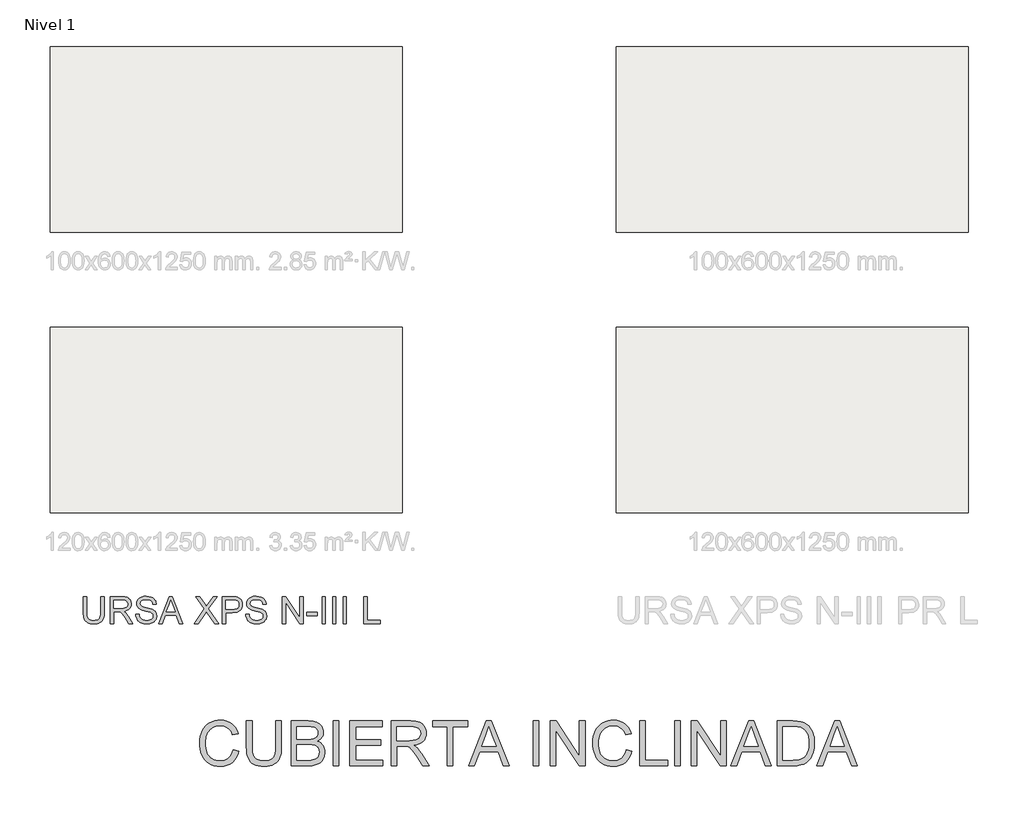
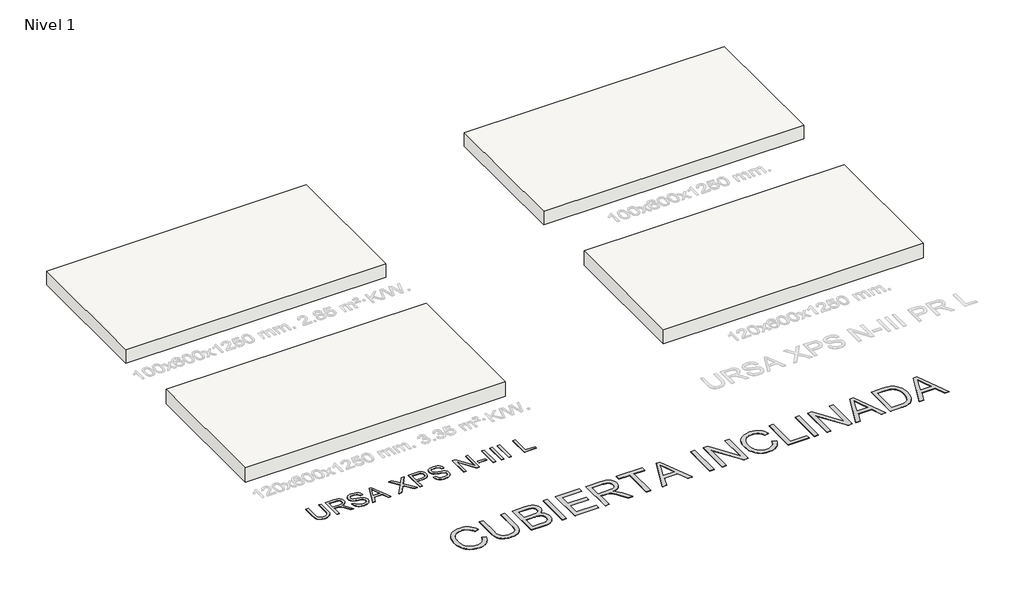
# One storey, part 1 of 5: 4 roofs, 2 proxies.
"""IFC4 building model written with IfcOpenShell, lengths in millimetres."""

import ifcopenshell
import ifcopenshell.guid

model = None  # the IFC model being written
_history = None  # IfcOwnerHistory: only IFC2X3 demands one
_inside = {}  # id of a spatial element -> (the spatial element, [elements in it])
_under = {}  # id of a project, library or spatial element -> (it, [spatial elements below it])
_declared = {}  # id of a project -> (the project, [libraries it declares])
_typed = {}  # id of a type object -> (the type object, [elements of that type])
_made_of = {}  # id of a material, layer set ... -> (it, [elements and type objects made of it])


def new_model(schema):
    """Start an empty IFC model of exactly this schema.

    Asked for "IFC4X3", IfcOpenShell would pick the latest addendum, in which some entities
    have other attributes; the version numbers below select the first issue.
    IFC2X3 requires an IfcOwnerHistory on every rooted entity: one is made here for all.
    """
    global model, _history
    if schema == "IFC4X3":
        model = ifcopenshell.file(schema_version=(4, 3, 0, 0))
    else:
        model = ifcopenshell.file(schema=schema)
    _inside.clear()
    _under.clear()
    _declared.clear()
    _typed.clear()
    _made_of.clear()
    _history = None
    if model.schema == "IFC2X3":
        org = make("IfcOrganization", Name="unknown")
        user = make(
            "IfcPersonAndOrganization",
            ThePerson=make("IfcPerson", FamilyName="unknown"),
            TheOrganization=org,
        )
        app = make(
            "IfcApplication",
            ApplicationDeveloper=org,
            Version="unknown",
            ApplicationFullName="unknown",
            ApplicationIdentifier="unknown",
        )
        _history = make(
            "IfcOwnerHistory",
            OwningUser=user,
            OwningApplication=app,
            ChangeAction="ADDED",
            CreationDate=0,
        )
    return model


def make(cls, **values):
    """One entity of the class cls with the attributes given. An attribute that is None is left unset."""
    return model.create_entity(
        cls, **{name: value for name, value in values.items() if value is not None}
    )


def rooted(cls, **values):
    """An entity with a GlobalId (a new one), such as an element, a storey or a relation."""
    return make(cls, GlobalId=ifcopenshell.guid.new(), OwnerHistory=_history, **values)


def si_unit(unit_type, name, prefix=None):
    """IfcSIUnit, for example si_unit("LENGTHUNIT", "METRE", prefix="MILLI")."""
    return make("IfcSIUnit", UnitType=unit_type, Prefix=prefix, Name=name)


def assignment(units):
    """IfcUnitAssignment: the units of a project."""
    return None if units is None else make("IfcUnitAssignment", Units=units)


def point(xyz):
    """IfcCartesianPoint."""
    return None if xyz is None else make("IfcCartesianPoint", Coordinates=xyz)


def direction(xyz):
    """IfcDirection."""
    return None if xyz is None else make("IfcDirection", DirectionRatios=xyz)


def frame(location, z_axis=None, x_axis=None):
    """IfcAxis2Placement3D, a coordinate frame: its origin and axes. An axis left out is left unset."""
    return make(
        "IfcAxis2Placement3D",
        Location=point(location),
        Axis=direction(z_axis),
        RefDirection=direction(x_axis),
    )


def origin():
    """The frame at (0, 0, 0) with its axes left unset."""
    return frame((0.0, 0.0, 0.0))


def origin_with_axes():
    """The frame at (0, 0, 0) with the z axis (0, 0, 1) and the x axis (1, 0, 0) written out."""
    return frame((0.0, 0.0, 0.0), z_axis=(0.0, 0.0, 1.0), x_axis=(1.0, 0.0, 0.0))


def place(relative_to, where):
    """IfcLocalPlacement: puts the frame where relative to a parent placement (None: the world)."""
    return make(
        "IfcLocalPlacement", PlacementRelTo=relative_to, RelativePlacement=where
    )


def context(
    kind, dimensions, precision=None, world=None, true_north=None, identifier=None
):
    """IfcGeometricRepresentationContext, for example the 3D "Model" context."""
    return make(
        "IfcGeometricRepresentationContext",
        ContextIdentifier=identifier,
        ContextType=kind,
        CoordinateSpaceDimension=dimensions,
        Precision=precision,
        WorldCoordinateSystem=world,
        TrueNorth=true_north,
    )


def project(units=None, contexts=None):
    """IfcProject with its units and contexts."""
    return rooted(
        "IfcProject",
        Name="project",
        RepresentationContexts=contexts,
        UnitsInContext=assignment(units),
    )


def spatial(cls, under=None, at=None, **own):
    """A site, building, storey or space (cls), placed at a placement, below another one or the project."""
    s = rooted(cls, ObjectPlacement=at, **own)
    if under is not None:
        _under.setdefault(under.id(), (under, []))[1].append(s)
    return s


def polyline(points):
    """IfcPolyline through the points."""
    return make("IfcPolyline", Points=[point(p) for p in points])


def outline(outer, holes=None, kind="AREA"):
    """IfcArbitraryClosedProfileDef: a profile drawn as a closed curve; with holes, ...WithVoids."""
    if holes is None:
        return make("IfcArbitraryClosedProfileDef", ProfileType=kind, OuterCurve=outer)
    return make(
        "IfcArbitraryProfileDefWithVoids",
        ProfileType=kind,
        OuterCurve=outer,
        InnerCurves=holes,
    )


def extrude(swept, where, along, depth):
    """IfcExtrudedAreaSolid: the profile swept, set in the frame where, extruded along a direction by depth."""
    return make(
        "IfcExtrudedAreaSolid",
        SweptArea=swept,
        Position=where,
        ExtrudedDirection=direction(along),
        Depth=depth,
    )


def shape(context_of_items, identifier, shape_type, items):
    """IfcShapeRepresentation: the items that make up one representation, for example the "Body"."""
    return make(
        "IfcShapeRepresentation",
        ContextOfItems=context_of_items,
        RepresentationIdentifier=identifier,
        RepresentationType=shape_type,
        Items=items,
    )


def made_of(thing, what):
    """Note that an element or type object is made of a material, layer set ...; save() writes the relation."""
    if what is not None:
        _made_of.setdefault(what.id(), (what, []))[1].append(thing)
    return thing


def element(
    cls,
    number,
    at=None,
    inside=None,
    cuts=None,
    type_object=None,
    material=None,
    context=None,
    identifier="Body",
    shape_type=None,
    held_by="IfcProductDefinitionShape",
    body=None,
    shapes=None,
    **own,
):
    """One element of the class cls, such as IfcWall. Its Tag is "e" and its number.

    at: its placement. inside: the storey or other place that contains it. cuts: it is an
    opening in that element (IfcRelVoidsElement). A single representation is given by context,
    identifier, shape_type and body (its items); several are given by shapes. held_by: the class
    of the entity that holds the representations. save() writes the other relations.
    """
    e = rooted(cls, Tag="e%d" % number, ObjectPlacement=at, **own)
    if body is not None:
        shapes = [shape(context, identifier, shape_type, body)]
    if shapes is not None:
        e.Representation = make(held_by, Representations=shapes)
    if inside is not None:
        _inside.setdefault(inside.id(), (inside, []))[1].append(e)
    if cuts is not None:
        rooted(
            "IfcRelVoidsElement", RelatingBuildingElement=cuts, RelatedOpeningElement=e
        )
    if type_object is not None:
        _typed.setdefault(type_object.id(), (type_object, []))[1].append(e)
    return made_of(e, material)


def aggregate(whole, parts):
    """IfcRelAggregates: a whole, such as a stair, and the parts it consists of."""
    return rooted("IfcRelAggregates", RelatingObject=whole, RelatedObjects=parts)


def save(model, path):
    """Write the relations noted so far, then the file.

    IfcRelAggregates (storeys below a building ...), IfcRelContainedInSpatialStructure (elements
    in a storey), IfcRelDefinesByType, IfcRelAssociatesMaterial and IfcRelDeclares: one each for
    every whole, place, type object, material and project.
    """
    for whole, parts in _under.values():
        aggregate(whole, parts)
    for where, things in _inside.values():
        rooted(
            "IfcRelContainedInSpatialStructure",
            RelatedElements=things,
            RelatingStructure=where,
        )
    for kind, things in _typed.values():
        rooted("IfcRelDefinesByType", RelatedObjects=things, RelatingType=kind)
    for what, things in _made_of.values():
        rooted("IfcRelAssociatesMaterial", RelatedObjects=things, RelatingMaterial=what)
    for by, libraries in _declared.values():
        rooted("IfcRelDeclares", RelatingContext=by, RelatedDefinitions=libraries)
    model.write(path)


model = new_model("IFC4")

# Units and contexts
model_context = context("Model", 3, world=origin())
ifc_project = project(units=[si_unit("LENGTHUNIT", "METRE", prefix="MILLI")], contexts=[model_context])

# Site, building, storey
site = spatial("IfcSite", under=ifc_project)
building = spatial("IfcBuilding", under=site)
storey = spatial("IfcBuildingStorey", under=building, Name="Nivel 1", Elevation=0.0)

# Proxies
placement = place(None, origin())
element("IfcBuildingElementProxy", 1, Name="Texto de modelo 2", ObjectType="Texto de modelo 2", at=placement, inside=storey, context=model_context, shape_type="SweptSolid", body=[
    extrude(outline(polyline([(-21908.2815562, -17259.2340137), (-21782.7111685, -17291.6076293), (-21807.5585316, -17369.698247), (-21840.6525828, -17437.9326929), (-21881.993322, -17496.310967), (-21905.7561996, -17521.8040396), (-21931.5807492, -17544.8330693), (-21988.2958902, -17582.9778337), (-22051.0197703, -17610.2240939), (-22119.7523898, -17626.5718501), (-22194.4937485, -17632.0211022), (-22271.0668529, -17627.8977581), (-22340.1443617, -17615.527726), (-22401.7262749, -17594.9110059), (-22455.8125924, -17566.0475977), (-22503.1467424, -17529.3666971), (-22544.4721532, -17485.2974997), (-22579.7888247, -17433.8400057), (-22609.096757, -17374.9942149), (-22632.1123743, -17311.3046444), (-22648.552101, -17245.3158116), (-22658.415937, -17177.0277162), (-22661.7038823, -17106.4403584), (-22657.9867413, -17030.7026526), (-22646.8353184, -16959.9620106), (-22628.2496134, -16894.2184324), (-22602.2296264, -16833.471918), (-22569.3578373, -16778.7264786), (-22530.2167259, -16730.9861255), (-22484.8062921, -16690.2508587), (-22433.126536, -16656.5206783), (-22376.9325612, -16630.0714957), (-22317.9794715, -16611.1792224), (-22256.2672668, -16599.8438584), (-22191.7959472, -16596.0654037), (-22119.9746518, -16600.9551686), (-22054.1161105, -16615.6244631), (-21994.2203231, -16640.0732874), (-21940.2872898, -16674.3016414), (-21893.2060586, -16717.4051485), (-21853.8656778, -16768.4794321), (-21822.2661472, -16827.5244924), (-21798.407467, -16894.5403292), (-21923.9778547, -16924.4613981), (-21943.7515119, -16875.0809045), (-21967.5105574, -16832.8894381), (-21995.2549912, -16797.8869991), (-22026.9848133, -16770.0735875), (-22062.8839647, -16748.8820517), (-22103.1363863, -16733.7452404), (-22147.7420782, -16724.6631537), (-22196.7010404, -16721.6357914), (-22253.0329709, -16724.9927146), (-22304.5517787, -16735.0634842), (-22351.2574636, -16751.8481003), (-22393.1500258, -16775.3465627), (-22429.7006349, -16804.5012108), (-22460.3804605, -16838.2543839), (-22485.1895025, -16876.6060819), (-22504.1277611, -16919.5563048), (-22518.1302695, -16965.1583438), (-22528.1320612, -17011.46549), (-22534.1331363, -17058.4777433), (-22536.1334946, -17106.1951037), (-22533.7652543, -17166.1598689), (-22526.6605333, -17222.2005595), (-22514.8193315, -17274.3171755), (-22498.2416491, -17322.5097169), (-22476.6592388, -17365.8201576), (-22449.8038531, -17403.2904717), (-22417.6754922, -17434.920659), (-22380.274156, -17460.7107197), (-22339.4162619, -17480.7219674), (-22296.9182273, -17495.0157158), (-22252.7800521, -17503.5919648), (-22207.0017363, -17506.4507145), (-22152.409581, -17502.5572967), (-22102.1860245, -17490.8770433), (-22056.3310666, -17471.4099544), (-22014.8447075, -17444.15603), (-21978.7079657, -17409.2378972), (-21948.9018598, -17366.7781836), (-21925.42639, -17316.7768891), (-21908.2815562, -17259.2340137)])), origin_with_axes(), (0.0, 0.0, 1.0), 10.0),
    extrude(outline(polyline([(-20950.8073501, -16611.7617022), (-20825.2369624, -16611.7617022), (-20825.2369624, -17191.2984719), (-20827.3676123, -17263.0584536), (-20833.759562, -17327.0162713), (-20844.4128114, -17383.171925), (-20859.3273606, -17431.5254148), (-20879.7907966, -17473.9084863), (-20907.0907063, -17512.1528854), (-20941.2270898, -17546.258612), (-20982.199947, -17576.2256662), (-21030.0552632, -17600.6361694), (-21084.8390237, -17618.0722432), (-21146.5512284, -17628.5338874), (-21215.1918773, -17632.0211022), (-21282.1387362, -17628.9860757), (-21342.6936455, -17619.8809963), (-21396.856605, -17604.705864), (-21444.6276149, -17583.4606788), (-21486.0143394, -17556.4596732), (-21521.0244426, -17524.0170797), (-21549.6579246, -17486.1328984), (-21571.9147853, -17442.8071293), (-21588.5997666, -17392.5529159), (-21600.5176104, -17333.8834019), (-21607.6683167, -17266.7985872), (-21610.0518854, -17191.2984719), (-21610.0518854, -16611.7617022), (-21484.4814978, -16611.7617022), (-21484.4814978, -17186.883888), (-21482.9333277, -17247.5920814), (-21478.2888175, -17299.73169), (-21470.5479672, -17343.3027138), (-21459.7107768, -17378.3051528), (-21445.1027959, -17407.2681957), (-21426.0495742, -17432.7210313), (-21402.5511118, -17454.6636594), (-21374.6074085, -17473.0960802), (-21342.7549591, -17487.6887327), (-21307.5302581, -17498.1120559), (-21268.9333054, -17504.3660498), (-21226.9641011, -17506.4507145), (-21157.7563008, -17502.3273704), (-21099.2477351, -17489.9573384), (-21051.4384042, -17469.3406182), (-21031.5459517, -17455.9397501), (-21014.3283079, -17440.47721), (-20999.4405834, -17422.0831102), (-20986.5378889, -17399.8875632), (-20966.6875895, -17344.0921273), (-20954.77741, -17273.0909022), (-20950.8073501, -17186.883888), (-20950.8073501, -16611.7617022)])), origin_with_axes(), (0.0, 0.0, 1.0), 10.0),
    extrude(outline(polyline([(-20605.488784, -17616.3248037), (-20605.488784, -16611.7617022), (-20222.155745, -16611.7617022), (-20166.5519142, -16613.6087764), (-20116.7268965, -16619.1499989), (-20072.6806918, -16628.3853699), (-20034.4133001, -16641.3148891), (-20000.951367, -16658.0765125), (-19971.3215379, -16678.8081958), (-19945.523813, -16703.509939), (-19923.5581922, -16732.181742), (-19906.0148196, -16763.2064569), (-19893.4838391, -16794.9669358), (-19885.9652508, -16827.4631787), (-19883.4590548, -16860.6951856), (-19885.566712, -16891.3903396), (-19891.8896838, -16921.181117), (-19902.4279701, -16950.0675178), (-19917.181571, -16978.0495421), (-19936.1964716, -17004.25347), (-19959.5186573, -17027.8055819), (-19987.1481279, -17048.7058778), (-20019.0848836, -17066.9543576), (-19981.1853739, -17083.1105085), (-19947.9303744, -17104.1104391), (-19919.3198851, -17129.9541492), (-19895.3539059, -17160.641639), (-19876.4156474, -17195.237875), (-19862.8883199, -17232.8078237), (-19854.7719233, -17273.3514853), (-19852.0664578, -17316.8688596), (-19853.913532, -17352.5304205), (-19859.4547546, -17386.9197229), (-19868.6901255, -17420.0367666), (-19881.6196448, -17451.8815519), (-19897.2776222, -17481.296783), (-19914.6983675, -17507.1251648), (-19933.8818807, -17529.3666971), (-19954.8281618, -17548.0213799), (-19978.0277201, -17563.8556341), (-20003.971065, -17577.6358805), (-20064.0891144, -17599.0343499), (-20137.1443473, -17612.0021903), (-20225.0988009, -17616.3248037), (-20605.488784, -17616.3248037)]), holes=[polyline([(-20479.9183963, -17019.8654622), (-20250.6052859, -17019.8654622), (-20170.407011, -17017.1676609), (-20116.6962397, -17009.074257), (-20091.6112861, -17000.9272036), (-20069.8219421, -16990.4655594), (-20051.3282077, -16977.6893243), (-20036.1300827, -16962.5984983), (-20024.2735526, -16945.3003803), (-20015.8046025, -16925.9022692), (-20010.7232325, -16904.4041652), (-20009.0294424, -16880.806068), (-20010.6082693, -16858.2119821), (-20015.34475, -16837.0281106), (-20023.2388845, -16817.2544533), (-20034.2906728, -16798.8910104), (-20048.285517, -16782.6198963), (-20065.0088194, -16769.1232256), (-20084.4605799, -16758.4009983), (-20106.6407985, -16750.4532144), (-20170.5296383, -16740.612371), (-20268.018367, -16737.3320899), (-20479.9183963, -16737.3320899), (-20479.9183963, -17019.8654622)]), polyline([(-20479.9183963, -17490.754416), (-20222.4009996, -17490.754416), (-20165.992427, -17489.5281427), (-20129.2042275, -17485.8493227), (-20085.9474363, -17474.966147), (-20050.3548532, -17458.5034278), (-20021.4148029, -17434.9283232), (-19998.1156099, -17402.7079918), (-19982.7565366, -17363.2833047), (-19977.6368455, -17318.0951329), (-19979.1390303, -17290.933179), (-19983.6455848, -17265.610635), (-19991.1565088, -17242.1275009), (-20001.6718025, -17220.4837769), (-20015.5516836, -17201.3002637), (-20033.15637, -17185.1977622), (-20054.4858615, -17172.1762724), (-20079.5401582, -17162.2357943), (-20109.4229061, -17154.8858186), (-20145.2377512, -17149.635836), (-20234.6637328, -17145.4358499), (-20479.9183963, -17145.4358499), (-20479.9183963, -17490.754416)])]), origin_with_axes(), (0.0, 0.0, 1.0), 10.0),
    extrude(outline(polyline([(-19663.7108763, -17616.3248037), (-19663.7108763, -16611.7617022), (-19538.1404886, -16611.7617022), (-19538.1404886, -17616.3248037), (-19663.7108763, -17616.3248037)])), origin_with_axes(), (0.0, 0.0, 1.0), 10.0),
    extrude(outline(polyline([(-19286.9997132, -17616.3248037), (-19286.9997132, -16611.7617022), (-18564.969984, -16611.7617022), (-18564.969984, -16737.3320899), (-19161.4293256, -16737.3320899), (-19161.4293256, -17035.5617606), (-18596.362581, -17035.5617606), (-18596.362581, -17161.1321483), (-19161.4293256, -17161.1321483), (-19161.4293256, -17490.754416), (-18549.2736856, -17490.754416), (-18549.2736856, -17616.3248037), (-19286.9997132, -17616.3248037)])), origin_with_axes(), (0.0, 0.0, 1.0), 10.0),
    extrude(outline(polyline([(-18360.918104, -17616.3248037), (-18360.918104, -16611.7617022), (-17928.0436231, -16611.7617022), (-17865.9098869, -16613.4554922), (-17811.7009421, -16618.5368623), (-17765.4167886, -16627.0058124), (-17727.0574264, -16638.8623425), (-17694.3925709, -16655.0184935), (-17665.1919375, -16676.386306), (-17639.4555263, -16702.9657802), (-17617.1833371, -16734.7569159), (-17599.2107688, -16770.0505948), (-17586.37322, -16807.1376985), (-17578.6706908, -16846.0182268), (-17576.103181, -16886.6921799), (-17580.3568166, -16938.2876298), (-17593.1177233, -16985.6524366), (-17614.3859011, -17028.7866006), (-17644.1613501, -17067.6901216), (-17682.8272806, -17101.1213979), (-17730.7669031, -17127.8388278), (-17787.9802176, -17147.8424113), (-17854.467224, -17161.1321483), (-17813.0804996, -17188.171475), (-17783.098117, -17214.8429196), (-17731.6559513, -17275.8500172), (-17681.3174316, -17344.0921273), (-17513.8084965, -17616.3248037), (-17659.7350212, -17616.3248037), (-17790.4557569, -17408.1035944), (-17842.7563138, -17328.6410835), (-17884.8788023, -17270.2704736), (-17919.980876, -17230.0793656), (-17951.2201888, -17205.1553604), (-17980.8040325, -17190.5320511), (-18010.9396993, -17181.2430307), (-18083.7803343, -17176.8284468), (-18235.3477164, -17176.8284468), (-18235.3477164, -17616.3248037), (-18360.918104, -17616.3248037)]), holes=[polyline([(-18235.3477164, -17051.2580591), (-17954.285872, -17051.2580591), (-17873.5664309, -17046.8128183), (-17810.9345213, -17033.477096), (-17785.749933, -17023.2530422), (-17763.7843122, -17010.361844), (-17745.0376589, -16994.8035013), (-17729.509973, -16976.5780141), (-17717.3315461, -16956.5820948), (-17708.6326698, -16935.7124558), (-17703.413344, -16913.969097), (-17701.6735687, -16891.3520185), (-17704.9921709, -16859.238986), (-17714.9479773, -16830.0996663), (-17731.5409882, -16803.9340594), (-17754.7712033, -16780.7421653), (-17785.1751174, -16761.7502573), (-17823.2892249, -16748.1846087), (-17869.113526, -16740.0452196), (-17922.6480205, -16737.3320899), (-18235.3477164, -16737.3320899), (-18235.3477164, -17051.2580591)])]), origin_with_axes(), (0.0, 0.0, 1.0), 10.0),
    extrude(outline(polyline([(-17105.2142272, -17616.3248037), (-17105.2142272, -16737.3320899), (-17434.8364949, -16737.3320899), (-17434.8364949, -16611.7617022), (-16650.0215718, -16611.7617022), (-16650.0215718, -16737.3320899), (-16979.6438395, -16737.3320899), (-16979.6438395, -17616.3248037), (-17105.2142272, -17616.3248037)])), origin_with_axes(), (0.0, 0.0, 1.0), 10.0),
    extrude(outline(polyline([(-16625.7413601, -17616.3248037), (-16224.7499854, -16611.7617022), (-16117.8189521, -16611.7617022), (-15716.8275774, -17616.3248037), (-15849.5103503, -17616.3248037), (-15964.5347875, -17302.3988345), (-16378.2794047, -17302.3988345), (-16493.0585872, -17616.3248037), (-16625.7413601, -17616.3248037)]), holes=[polyline([(-16332.171528, -17176.8284468), (-16010.3974095, -17176.8284468), (-16100.8963803, -16929.8570007), (-16171.2844688, -16737.3320899), (-16233.8244079, -16908.2745903), (-16332.171528, -17176.8284468)])]), origin_with_axes(), (0.0, 0.0, 1.0), 10.0),
    extrude(outline(polyline([(-15174.5695165, -17616.3248037), (-15174.5695165, -16611.7617022), (-15048.9991288, -16611.7617022), (-15048.9991288, -17616.3248037), (-15174.5695165, -17616.3248037)])), origin_with_axes(), (0.0, 0.0, 1.0), 10.0),
    extrude(outline(polyline([(-14797.8583534, -17616.3248037), (-14797.8583534, -16611.7617022), (-14663.4587979, -16611.7617022), (-14138.6138181, -17407.6130851), (-14138.6138181, -16611.7617022), (-14013.0434304, -16611.7617022), (-14013.0434304, -17616.3248037), (-14147.442986, -17616.3248037), (-14672.2879657, -16820.2281661), (-14672.2879657, -17616.3248037), (-14797.8583534, -17616.3248037)])), origin_with_axes(), (0.0, 0.0, 1.0), 10.0),
    extrude(outline(polyline([(-13086.9618212, -17259.2340137), (-12961.3914335, -17291.6076293), (-12986.2387966, -17369.698247), (-13019.3328477, -17437.9326929), (-13060.673587, -17496.310967), (-13084.4364646, -17521.8040396), (-13110.2610142, -17544.8330693), (-13166.9761551, -17582.9778337), (-13229.7000353, -17610.2240939), (-13298.4326548, -17626.5718501), (-13373.1740134, -17632.0211022), (-13449.7471179, -17627.8977581), (-13518.8246267, -17615.527726), (-13580.4065398, -17594.9110059), (-13634.4928573, -17566.0475977), (-13681.8270074, -17529.3666971), (-13723.1524182, -17485.2974997), (-13758.4690897, -17433.8400057), (-13787.777022, -17374.9942149), (-13810.7926393, -17311.3046444), (-13827.232366, -17245.3158116), (-13837.096202, -17177.0277162), (-13840.3841473, -17106.4403584), (-13836.6670063, -17030.7026526), (-13825.5155833, -16959.9620106), (-13806.9298784, -16894.2184324), (-13780.9098914, -16833.471918), (-13748.0381023, -16778.7264786), (-13708.8969909, -16730.9861255), (-13663.4865571, -16690.2508587), (-13611.806801, -16656.5206783), (-13555.6128262, -16630.0714957), (-13496.6597365, -16611.1792224), (-13434.9475318, -16599.8438584), (-13370.4762121, -16596.0654037), (-13298.6549168, -16600.9551686), (-13232.7963754, -16615.6244631), (-13172.9005881, -16640.0732874), (-13118.9675548, -16674.3016414), (-13071.8863236, -16717.4051485), (-13032.5459427, -16768.4794321), (-13000.9464122, -16827.5244924), (-12977.087732, -16894.5403292), (-13102.6581197, -16924.4613981), (-13122.4317769, -16875.0809045), (-13146.1908224, -16832.8894381), (-13173.9352562, -16797.8869991), (-13205.6650783, -16770.0735875), (-13241.5642297, -16748.8820517), (-13281.8166513, -16733.7452404), (-13326.4223432, -16724.6631537), (-13375.3813054, -16721.6357914), (-13431.7132359, -16724.9927146), (-13483.2320437, -16735.0634842), (-13529.9377286, -16751.8481003), (-13571.8302908, -16775.3465627), (-13608.3808999, -16804.5012108), (-13639.0607255, -16838.2543839), (-13663.8697675, -16876.6060819), (-13682.808026, -16919.5563048), (-13696.8105345, -16965.1583438), (-13706.8123262, -17011.46549), (-13712.8134013, -17058.4777433), (-13714.8137596, -17106.1951037), (-13712.4455193, -17166.1598689), (-13705.3407983, -17222.2005595), (-13693.4995965, -17274.3171755), (-13676.9219141, -17322.5097169), (-13655.3395037, -17365.8201576), (-13628.4841181, -17403.2904717), (-13596.3557572, -17434.920659), (-13558.954421, -17460.7107197), (-13518.0965269, -17480.7219674), (-13475.5984923, -17495.0157158), (-13431.460317, -17503.5919648), (-13385.6820013, -17506.4507145), (-13331.089846, -17502.5572967), (-13280.8662895, -17490.8770433), (-13235.0113316, -17471.4099544), (-13193.5249725, -17444.15603), (-13157.3882306, -17409.2378972), (-13127.5821248, -17366.7781836), (-13104.106655, -17316.7768891), (-13086.9618212, -17259.2340137)])), origin_with_axes(), (0.0, 0.0, 1.0), 10.0),
    extrude(outline(polyline([(-12788.7321504, -17616.3248037), (-12788.7321504, -16611.7617022), (-12663.1617627, -16611.7617022), (-12663.1617627, -17490.754416), (-12160.880212, -17490.754416), (-12160.880212, -17616.3248037), (-12788.7321504, -17616.3248037)])), origin_with_axes(), (0.0, 0.0, 1.0), 10.0),
    extrude(outline(polyline([(-12003.9172274, -17616.3248037), (-12003.9172274, -16611.7617022), (-11878.3468397, -16611.7617022), (-11878.3468397, -17616.3248037), (-12003.9172274, -17616.3248037)])), origin_with_axes(), (0.0, 0.0, 1.0), 10.0),
    extrude(outline(polyline([(-11627.2060643, -17616.3248037), (-11627.2060643, -16611.7617022), (-11492.8065088, -16611.7617022), (-10967.961529, -17407.6130851), (-10967.961529, -16611.7617022), (-10842.3911413, -16611.7617022), (-10842.3911413, -17616.3248037), (-10976.7906969, -17616.3248037), (-11501.6356766, -16820.2281661), (-11501.6356766, -17616.3248037), (-11627.2060643, -17616.3248037)])), origin_with_axes(), (0.0, 0.0, 1.0), 10.0),
    extrude(outline(polyline([(-10739.6294373, -17616.3248037), (-10338.6380626, -16611.7617022), (-10231.7070293, -16611.7617022), (-9830.7156545, -17616.3248037), (-9963.3984275, -17616.3248037), (-10078.4228646, -17302.3988345), (-10492.1674819, -17302.3988345), (-10606.9466644, -17616.3248037), (-10739.6294373, -17616.3248037)]), holes=[polyline([(-10446.0596051, -17176.8284468), (-10124.2854867, -17176.8284468), (-10214.7844575, -16929.8570007), (-10285.1725459, -16737.3320899), (-10347.7124851, -16908.2745903), (-10446.0596051, -17176.8284468)])]), origin_with_axes(), (0.0, 0.0, 1.0), 10.0),
    extrude(outline(polyline([(-9696.5613536, -17616.3248037), (-9696.5613536, -16611.7617022), (-9350.0165142, -16611.7617022), (-9246.4577325, -16615.3792085), (-9170.7353552, -16626.2317273), (-9129.1340329, -16638.1725638), (-9090.6597076, -16654.1294453), (-9055.3123792, -16674.102372), (-9023.0920478, -16698.0913437), (-8985.8593242, -16734.0211519), (-8953.6236644, -16774.6107987), (-8926.3850683, -16819.8602841), (-8904.143536, -16869.7696081), (-8886.8684107, -16923.8789183), (-8874.5290354, -16981.728362), (-8867.1254103, -17043.3179394), (-8864.6575352, -17108.6476504), (-8866.3283326, -17164.174839), (-8871.3407248, -17216.4677318), (-8879.6947118, -17265.5263287), (-8891.3902935, -17311.3506297), (-8921.9244991, -17392.1313845), (-8940.0426874, -17426.7965983), (-8960.0615993, -17457.6450364), (-9003.9621841, -17509.3631136), (-9051.7868434, -17548.7571439), (-9106.6932312, -17577.9731057), (-9171.8390012, -17599.1569773), (-9247.3467807, -17612.0328471), (-9333.3391971, -17616.3248037), (-9696.5613536, -17616.3248037)]), holes=[polyline([(-9570.990966, -17490.754416), (-9348.7902409, -17490.754416), (-9256.8810557, -17486.2172047), (-9219.2497933, -17480.5456906), (-9187.1674177, -17472.6055709), (-9134.5602923, -17450.7165922), (-9112.7632841, -17436.9670026), (-9093.9706455, -17421.3473463), (-9070.8017441, -17396.1704222), (-9050.3459723, -17366.9927815), (-9032.6033302, -17333.814424), (-9017.5738179, -17296.6353499), (-9005.6099888, -17255.378917), (-8997.0643966, -17209.9684832), (-8991.9370413, -17160.4040485), (-8990.2279229, -17106.685613), (-8993.5771819, -17033.7836643), (-9003.6249589, -16969.8335108), (-9020.3712539, -16914.8351526), (-9043.8160669, -16868.7885895), (-9072.0586742, -16830.6514893), (-9103.1983523, -16799.3815197), (-9137.235101, -16774.9786807), (-9174.1689205, -16757.4429723), (-9206.0826836, -16748.6444612), (-9246.3964189, -16742.3598105), (-9352.2238062, -16737.3320899), (-9570.990966, -16737.3320899), (-9570.990966, -17490.754416)])]), origin_with_axes(), (0.0, 0.0, 1.0), 10.0),
    extrude(outline(polyline([(-8808.9847266, -17616.3248037), (-8407.9933519, -16611.7617022), (-8301.0623186, -16611.7617022), (-7900.0709439, -17616.3248037), (-8032.7537168, -17616.3248037), (-8147.7781539, -17302.3988345), (-8561.5227712, -17302.3988345), (-8676.3019537, -17616.3248037), (-8808.9847266, -17616.3248037)]), holes=[polyline([(-8515.4148945, -17176.8284468), (-8193.640776, -17176.8284468), (-8284.1397468, -16929.8570007), (-8354.5278352, -16737.3320899), (-8417.0677744, -16908.2745903), (-8515.4148945, -17176.8284468)])]), origin_with_axes(), (0.0, 0.0, 1.0), 10.0),
])
element("IfcBuildingElementProxy", 2, Name="Texto de modelo 3", ObjectType="Texto de modelo 3", at=placement, inside=storey, context=model_context, shape_type="SweptSolid", body=[
    extrude(outline(polyline([(-24876.063677, -13823.3522814), (-24800.7214443, -13823.3522814), (-24800.7214443, -14171.0743432), (-24805.8350041, -14252.5050228), (-24812.2269537, -14286.1984151), (-24821.1756833, -14315.2105089), (-24833.4537449, -14340.6403518), (-24849.8336907, -14363.5869913), (-24870.3155208, -14384.0504273), (-24894.8992351, -14402.0306598), (-24923.6124248, -14416.6769617), (-24956.4826811, -14427.1386059), (-24993.5100039, -14433.4155925), (-25034.6943933, -14435.5079213), (-25074.8625086, -14433.6869055), (-25111.1954542, -14428.2238578), (-25143.6932299, -14419.1187784), (-25172.3558359, -14406.3716673), (-25197.1878705, -14390.1710639), (-25218.1939325, -14370.7055079), (-25235.3740216, -14347.9749991), (-25248.7281381, -14321.9795376), (-25258.7391269, -14291.8270096), (-25265.8898331, -14256.6253012), (-25270.1802569, -14216.3744124), (-25271.6103982, -14171.0743432), (-25271.6103982, -13823.3522814), (-25196.2681656, -13823.3522814), (-25196.2681656, -14168.4255928), (-25192.5525574, -14236.134274), (-25181.405733, -14283.2783517), (-25172.6409444, -14300.6561775), (-25161.2090114, -14315.9278788), (-25147.109934, -14329.0934557), (-25130.343712, -14340.1529082), (-25090.0974218, -14355.1624936), (-25041.7577276, -14360.1656887), (-25000.2330474, -14357.6916823), (-24965.127908, -14350.269663), (-24936.4423094, -14337.899631), (-24914.1762517, -14320.581586), (-24897.5020002, -14296.227798), (-24885.5918206, -14262.7505364), (-24878.4457129, -14220.1498014), (-24876.063677, -14168.4255928), (-24876.063677, -13823.3522814)])), origin_with_axes(), (0.0, 0.0, 1.0), 10.0),
    extrude(outline(polyline([(-24668.8725373, -14426.0901423), (-24668.8725373, -13823.3522814), (-24409.1478487, -13823.3522814), (-24339.3422401, -13827.4173774), (-24288.5561307, -13839.6126655), (-24268.9572174, -13849.3063561), (-24251.4368373, -13862.1270436), (-24235.9949906, -13878.0747281), (-24222.6316771, -13897.1494096), (-24211.8481361, -13918.3256169), (-24204.1456069, -13940.5778791), (-24199.5240893, -13963.9061961), (-24197.9835834, -13988.310568), (-24200.5357648, -14019.2678379), (-24208.1923088, -14047.686722), (-24220.9532155, -14073.5672204), (-24238.8184849, -14096.909333), (-24262.0180432, -14116.9680988), (-24290.7818167, -14132.9985567), (-24325.1098054, -14145.0007068), (-24365.0020093, -14152.974549), (-24340.1699746, -14169.198145), (-24322.180545, -14185.2010118), (-24291.3152456, -14221.8052703), (-24261.1121338, -14262.7505364), (-24160.6067727, -14426.0901423), (-24248.1626876, -14426.0901423), (-24326.595129, -14301.1574167), (-24383.2489562, -14218.4575442), (-24404.3102004, -14194.3428794), (-24423.0537881, -14179.3884763), (-24458.8854944, -14165.0410785), (-24502.5898755, -14162.3923281), (-24593.5303047, -14162.3923281), (-24593.5303047, -14426.0901423), (-24668.8725373, -14426.0901423)]), holes=[polyline([(-24593.5303047, -14087.0500955), (-24424.8931981, -14087.0500955), (-24376.4615334, -14084.382951), (-24338.8823876, -14076.3815176), (-24310.5922622, -14062.5123664), (-24290.0276586, -14042.2420685), (-24277.5012767, -14017.7227335), (-24273.3258161, -13991.1064712), (-24275.3169774, -13971.8386517), (-24281.2904613, -13954.3550598), (-24291.2462677, -13938.6556957), (-24305.1843968, -13924.7405592), (-24323.4267453, -13913.3454144), (-24346.2952098, -13905.2060253), (-24373.7897904, -13900.3223918), (-24405.9104871, -13898.694514), (-24593.5303047, -13898.694514), (-24593.5303047, -14087.0500955)])]), origin_with_axes(), (0.0, 0.0, 1.0), 10.0),
    extrude(outline(polyline([(-24094.3880136, -14218.8990026), (-24019.045781, -14218.8990026), (-24010.4005541, -14260.7087913), (-23994.7655693, -14294.3148116), (-23970.374993, -14320.9862562), (-23935.4629917, -14341.9923182), (-23892.7886802, -14355.6223461), (-23845.1111737, -14360.1656887), (-23803.135838, -14356.7259921), (-23766.3844267, -14346.4069021), (-23736.6043792, -14330.0729415), (-23715.543135, -14308.588633), (-23703.016753, -14283.9221452), (-23698.8412924, -14258.0416469), (-23701.9682894, -14232.8233361), (-23711.3492802, -14211.0263279), (-23730.4055676, -14192.429893), (-23762.558454, -14176.8133023), (-23872.2608649, -14148.0449303), (-23944.2737655, -14129.007037), (-23990.3509854, -14110.8888488), (-24027.8565548, -14085.5417793), (-24054.4360289, -14054.8236327), (-24070.2733488, -14019.3965966), (-24075.5524555, -13979.9228585), (-24073.9199791, -13957.4866553), (-24069.02255, -13935.7954132), (-24060.8601683, -13914.8491321), (-24049.4328338, -13894.647812), (-24034.8693053, -13876.014589), (-24017.2983415, -13859.7725989), (-23996.7199424, -13845.9218418), (-23973.134108, -13834.4623176), (-23920.1223125, -13819.0664561), (-23861.4451343, -13813.9345023), (-23797.8751255, -13819.3055794), (-23742.2513678, -13835.4188108), (-23717.9159738, -13847.4209609), (-23696.560424, -13861.9431027), (-23678.1847184, -13878.9852361), (-23662.7888569, -13898.5473612), (-23650.4924012, -13920.0592608), (-23641.4149129, -13942.950718), (-23635.5563922, -13967.2217326), (-23632.9168389, -13992.8723047), (-23708.2590715, -13992.8723047), (-23713.2990548, -13968.8312163), (-23722.0914345, -13947.9171249), (-23734.6362105, -13930.1300305), (-23750.9333829, -13915.4699329), (-23771.2864543, -13904.0104088), (-23795.9989273, -13895.8250344), (-23825.070802, -13890.9138098), (-23858.5020783, -13889.2767349), (-23893.0002124, -13890.8954157), (-23922.4767573, -13895.751458), (-23946.9317129, -13903.8448619), (-23966.3650793, -13915.1756274), (-23981.1723296, -13928.7964582), (-23991.748937, -13943.7600584), (-23998.0949014, -13960.0664278), (-24000.2102228, -13977.7155665), (-23998.7111037, -13992.8998959), (-23994.2137463, -14006.6678796), (-23986.7181507, -14019.0195175), (-23976.2243168, -14029.9548098), (-23959.7064152, -14040.310688), (-23933.6971581, -14050.7769308), (-23853.2045776, -14072.0405101), (-23770.1368231, -14092.2372316), (-23719.8841425, -14109.8587792), (-23676.9339196, -14137.1924114), (-23660.328646, -14153.2596576), (-23646.9699311, -14170.9271904), (-23636.7014249, -14190.1030394), (-23629.3667776, -14210.6952341), (-23623.4990598, -14256.1286605), (-23625.1867184, -14279.6961008), (-23630.2496944, -14302.5737624), (-23638.6879877, -14324.7616452), (-23650.5015982, -14346.2597493), (-23665.4835925, -14366.2357416), (-23683.4270368, -14383.8572892), (-23704.3319312, -14399.124392), (-23728.1982756, -14412.03705), (-23754.3316928, -14422.3055562), (-23782.0378056, -14429.6402035), (-23842.1681177, -14435.5079213), (-23880.7083552, -14433.9260288), (-23915.98364, -14429.180351), (-23947.9939722, -14421.2708881), (-23976.7393515, -14410.1976401), (-24002.3945222, -14395.9422127), (-24025.134228, -14378.4862121), (-24044.958469, -14357.829638), (-24061.8672452, -14333.9724907), (-24075.4880761, -14307.6873221), (-24085.4484811, -14279.7466846), (-24091.7484603, -14250.1505781), (-24094.3880136, -14218.8990026)])), origin_with_axes(), (0.0, 0.0, 1.0), 10.0),
    extrude(outline(polyline([(-23580.6775955, -14426.0901423), (-23340.0827707, -13823.3522814), (-23275.9241507, -13823.3522814), (-23035.3293259, -14426.0901423), (-23114.9389896, -14426.0901423), (-23183.9536519, -14237.7345607), (-23432.2004223, -14237.7345607), (-23501.0679318, -14426.0901423), (-23580.6775955, -14426.0901423)]), holes=[polyline([(-23404.5356963, -14162.3923281), (-23211.4712252, -14162.3923281), (-23265.7706077, -14014.2094605), (-23308.0034607, -13898.694514), (-23345.5274242, -14001.2600142), (-23404.5356963, -14162.3923281)])]), origin_with_axes(), (0.0, 0.0, 1.0), 10.0),
    extrude(outline(polyline([(-22785.316722, -14426.0901423), (-22552.9624538, -14097.645097), (-22747.6456057, -13823.3522814), (-22657.2937876, -13823.3522814), (-22547.6649531, -13977.7155665), (-22521.5085432, -14016.8214226), (-22510.7296008, -14037.9010609), (-22467.4666781, -13976.6854969), (-22359.015066, -13823.3522814), (-22267.3388728, -13823.3522814), (-22462.0220246, -14098.5280137), (-22229.6677565, -14426.0901423), (-22320.0195745, -14426.0901423), (-22474.824318, -14207.7153899), (-22507.0507808, -14162.3923281), (-22542.5146052, -14212.1299739), (-22693.6405288, -14426.0901423), (-22785.316722, -14426.0901423)])), origin_with_axes(), (0.0, 0.0, 1.0), 10.0),
    extrude(outline(polyline([(-22154.3255238, -14426.0901423), (-22154.3255238, -13823.3522814), (-21930.9475764, -13823.3522814), (-21878.9290623, -13824.7870211), (-21840.890064, -13829.0912405), (-21800.7357442, -13839.8150006), (-21767.6815469, -13857.2710013), (-21741.0652846, -13882.2501888), (-21720.2247695, -13915.5435093), (-21706.7602885, -13954.8149123), (-21702.2721282, -13997.7283471), (-21705.3025561, -14034.7280787), (-21714.3938399, -14068.7663603), (-21729.5459796, -14099.8431919), (-21750.7589751, -14127.9585734), (-21779.8814336, -14151.2638978), (-21818.7619619, -14167.910558), (-21867.4005602, -14177.8985542), (-21925.7972284, -14181.2278863), (-22078.9832912, -14181.2278863), (-22078.9832912, -14426.0901423), (-22154.3255238, -14426.0901423)]), holes=[polyline([(-22078.9832912, -14105.8856537), (-21921.3826445, -14105.8856537), (-21885.146268, -14104.1566083), (-21854.5752742, -14098.9694721), (-21829.6696631, -14090.3242453), (-21810.4294348, -14078.2209276), (-21796.0728399, -14062.981416), (-21785.8181293, -14044.9276071), (-21779.6653029, -14024.0595009), (-21777.6143608, -14000.3770974), (-21782.452009, -13966.5319539), (-21796.9649537, -13937.9843111), (-21819.3505731, -13916.5000025), (-21847.8062455, -13903.8448619), (-21876.8689231, -13899.982101), (-21923.1484781, -13898.694514), (-22078.9832912, -13898.694514), (-22078.9832912, -14105.8856537)])]), origin_with_axes(), (0.0, 0.0, 1.0), 10.0),
    extrude(outline(polyline([(-21626.9298956, -14218.8990026), (-21551.5876629, -14218.8990026), (-21542.9424361, -14260.7087913), (-21527.3074513, -14294.3148116), (-21502.916875, -14320.9862562), (-21468.0048736, -14341.9923182), (-21425.3305622, -14355.6223461), (-21377.6530556, -14360.1656887), (-21335.67772, -14356.7259921), (-21298.9263087, -14346.4069021), (-21269.1462611, -14330.0729415), (-21248.0850169, -14308.588633), (-21235.558635, -14283.9221452), (-21231.3831743, -14258.0416469), (-21234.5101713, -14232.8233361), (-21243.8911622, -14211.0263279), (-21262.9474495, -14192.429893), (-21295.1003359, -14176.8133023), (-21404.8027469, -14148.0449303), (-21476.8156474, -14129.007037), (-21522.8928673, -14110.8888488), (-21560.3984367, -14085.5417793), (-21586.9779109, -14054.8236327), (-21602.8152308, -14019.3965966), (-21608.0943374, -13979.9228585), (-21606.461861, -13957.4866553), (-21601.564432, -13935.7954132), (-21593.4020502, -13914.8491321), (-21581.9747157, -13894.647812), (-21567.4111873, -13876.014589), (-21549.8402235, -13859.7725989), (-21529.2618244, -13845.9218418), (-21505.6759899, -13834.4623176), (-21452.6641944, -13819.0664561), (-21393.9870162, -13813.9345023), (-21330.4170074, -13819.3055794), (-21274.7932498, -13835.4188108), (-21250.4578558, -13847.4209609), (-21229.102306, -13861.9431027), (-21210.7266003, -13878.9852361), (-21195.3307388, -13898.5473612), (-21183.0342831, -13920.0592608), (-21173.9567949, -13942.950718), (-21168.0982741, -13967.2217326), (-21165.4587208, -13992.8723047), (-21240.8009534, -13992.8723047), (-21245.8409368, -13968.8312163), (-21254.6333164, -13947.9171249), (-21267.1780925, -13930.1300305), (-21283.4752649, -13915.4699329), (-21303.8283362, -13904.0104088), (-21328.5408093, -13895.8250344), (-21357.6126839, -13890.9138098), (-21391.0439602, -13889.2767349), (-21425.5420943, -13890.8954157), (-21455.0186392, -13895.751458), (-21479.4735948, -13903.8448619), (-21498.9069612, -13915.1756274), (-21513.7142115, -13928.7964582), (-21524.2908189, -13943.7600584), (-21530.6367833, -13960.0664278), (-21532.7521048, -13977.7155665), (-21531.2529857, -13992.8998959), (-21526.7556283, -14006.6678796), (-21519.2600326, -14019.0195175), (-21508.7661987, -14029.9548098), (-21492.2482971, -14040.310688), (-21466.2390401, -14050.7769308), (-21385.7464595, -14072.0405101), (-21302.678705, -14092.2372316), (-21252.4260245, -14109.8587792), (-21209.4758015, -14137.1924114), (-21192.870528, -14153.2596576), (-21179.511813, -14170.9271904), (-21169.2433068, -14190.1030394), (-21161.9086596, -14210.6952341), (-21156.0409417, -14256.1286605), (-21157.7286004, -14279.6961008), (-21162.7915763, -14302.5737624), (-21171.2298696, -14324.7616452), (-21183.0434802, -14346.2597493), (-21198.0254744, -14366.2357416), (-21215.9689187, -14383.8572892), (-21236.8738131, -14399.124392), (-21260.7401576, -14412.03705), (-21286.8735748, -14422.3055562), (-21314.5796876, -14429.6402035), (-21374.7099997, -14435.5079213), (-21413.2502372, -14433.9260288), (-21448.525522, -14429.180351), (-21480.5358541, -14421.2708881), (-21509.2812335, -14410.1976401), (-21534.9364041, -14395.9422127), (-21557.67611, -14378.4862121), (-21577.500351, -14357.829638), (-21594.4091272, -14333.9724907), (-21608.0299581, -14307.6873221), (-21617.9903631, -14279.7466846), (-21624.2903422, -14250.1505781), (-21626.9298956, -14218.8990026)])), origin_with_axes(), (0.0, 0.0, 1.0), 10.0),
    extrude(outline(polyline([(-20807.5831159, -14426.0901423), (-20807.5831159, -13823.3522814), (-20726.9433826, -13823.3522814), (-20412.0363947, -14300.8631111), (-20412.0363947, -13823.3522814), (-20336.6941621, -13823.3522814), (-20336.6941621, -14426.0901423), (-20417.3338954, -14426.0901423), (-20732.2408833, -13948.4321597), (-20732.2408833, -14426.0901423), (-20807.5831159, -14426.0901423)])), origin_with_axes(), (0.0, 0.0, 1.0), 10.0),
    extrude(outline(polyline([(-20251.9341504, -14247.1523398), (-20251.9341504, -14171.8101072), (-20016.4896735, -14171.8101072), (-20016.4896735, -14247.1523398), (-20251.9341504, -14247.1523398)])), origin_with_axes(), (0.0, 0.0, 1.0), 10.0),
    extrude(outline(polyline([(-19912.8941036, -14426.0901423), (-19912.8941036, -13823.3522814), (-19837.551871, -13823.3522814), (-19837.551871, -14426.0901423), (-19912.8941036, -14426.0901423)])), origin_with_axes(), (0.0, 0.0, 1.0), 10.0),
    extrude(outline(polyline([(-19677.4496267, -14426.0901423), (-19677.4496267, -13823.3522814), (-19602.1073941, -13823.3522814), (-19602.1073941, -14426.0901423), (-19677.4496267, -14426.0901423)])), origin_with_axes(), (0.0, 0.0, 1.0), 10.0),
    extrude(outline(polyline([(-19442.0051498, -14426.0901423), (-19442.0051498, -13823.3522814), (-19366.6629172, -13823.3522814), (-19366.6629172, -14426.0901423), (-19442.0051498, -14426.0901423)])), origin_with_axes(), (0.0, 0.0, 1.0), 10.0),
    extrude(outline(polyline([(-18980.5339751, -14426.0901423), (-18980.5339751, -13823.3522814), (-18905.1917424, -13823.3522814), (-18905.1917424, -14350.7479096), (-18603.822812, -14350.7479096), (-18603.822812, -14426.0901423), (-18980.5339751, -14426.0901423)])), origin_with_axes(), (0.0, 0.0, 1.0), 10.0),
])

# Roofs
element("IfcRoof", 3, at=placement, inside=storey, context=model_context, shape_type="SweptSolid", body=[
    extrude(outline(polyline([(-18117.4596431, -1478.5622442), (-18117.4596431, -5645.3771288), (-26017.4596431, -5645.3771288), (-26017.4596431, -1478.5622442), (-18117.4596431, -1478.5622442)])), origin_with_axes(), (0.0, 0.0, 1.0), 440.0),
])
element("IfcRoof", 4, at=placement, inside=storey, context=model_context, shape_type="SweptSolid", body=[
    extrude(outline(polyline([(-5417.4596431, -7778.5622442), (-5417.4596431, -11945.3771288), (-13317.4596431, -11945.3771288), (-13317.4596431, -7778.5622442), (-5417.4596431, -7778.5622442)])), origin_with_axes(), (0.0, 0.0, 1.0), 460.0),
])
element("IfcRoof", 5, at=placement, inside=storey, context=model_context, shape_type="SweptSolid", body=[
    extrude(outline(polyline([(-18117.4596431, -7778.5622442), (-18117.4596431, -11945.3771288), (-26017.4596431, -11945.3771288), (-26017.4596431, -7778.5622442), (-18117.4596431, -7778.5622442)])), origin_with_axes(), (0.0, 0.0, 1.0), 460.0),
])
element("IfcRoof", 6, at=placement, inside=storey, context=model_context, shape_type="SweptSolid", body=[
    extrude(outline(polyline([(-5417.4596431, -1478.5622442), (-5417.4596431, -5645.3771288), (-13317.4596431, -5645.3771288), (-13317.4596431, -1478.5622442), (-5417.4596431, -1478.5622442)])), origin_with_axes(), (0.0, 0.0, 1.0), 440.0),
])

save(model, "model.ifc")
